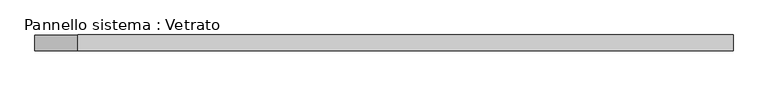
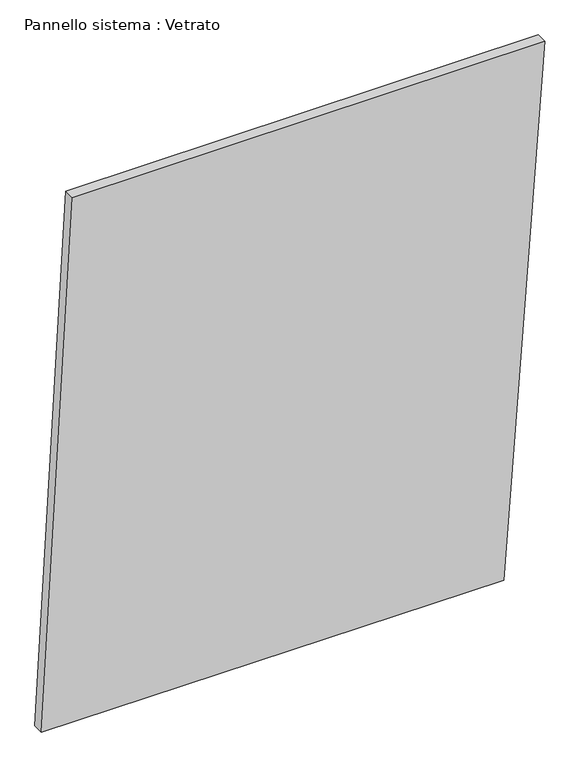
"""IFC4 building model written with IfcOpenShell, lengths in millimetres: plate geometry, Pannello sistema : Vetrato."""

from ifc_helpers import new_model, si_unit, frame, origin, place, context, project, spatial, polyline, outline, extrude, source, transform, mapped, element, save


def pannello_sistema_vetrato_58719a26(model_context):
    return source(origin(), model_context, "Body", "SweptSolid", [
        extrude(outline(polyline([(1.7825005, -662.2014769), (0.0, 553.5525825), (1459.7541755, 662.2014769), (1459.7541755, -580.8289093), (1.7825005, -662.2014769)])), frame((0.0, -15.0, 0.0), z_axis=(0.0, 1.0, 0.0), x_axis=(0.0, 0.0, 1.0)), (0.0, 0.0, 1.0), 30.0),
    ])


if __name__ == "__main__":
    model = new_model("IFC4")
    model_context = context("Model", 3, world=origin())
    ifc_project = project(units=[si_unit("LENGTHUNIT", "METRE", prefix="MILLI")], contexts=[model_context])
    site = spatial("IfcSite", under=ifc_project)
    building = spatial("IfcBuilding", under=site)
    placement = place(None, origin())
    pannello_sistema_vetrato_shape = pannello_sistema_vetrato_58719a26(model_context)
    element("IfcPlate", 1, ObjectType="Pannello sistema : Vetrato", at=placement, inside=building, context=model_context, shape_type="MappedRepresentation", body=[
        mapped(pannello_sistema_vetrato_shape, transform((0.0, 0.0, 0.0), x_axis=(1.0, 0.0, 0.0), y_axis=(0.0, 1.0, 0.0), z_axis=(0.0, 0.0, 1.0))),
    ])
    save(model, "model.ifc")
